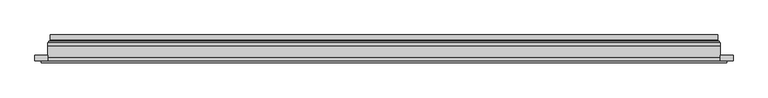
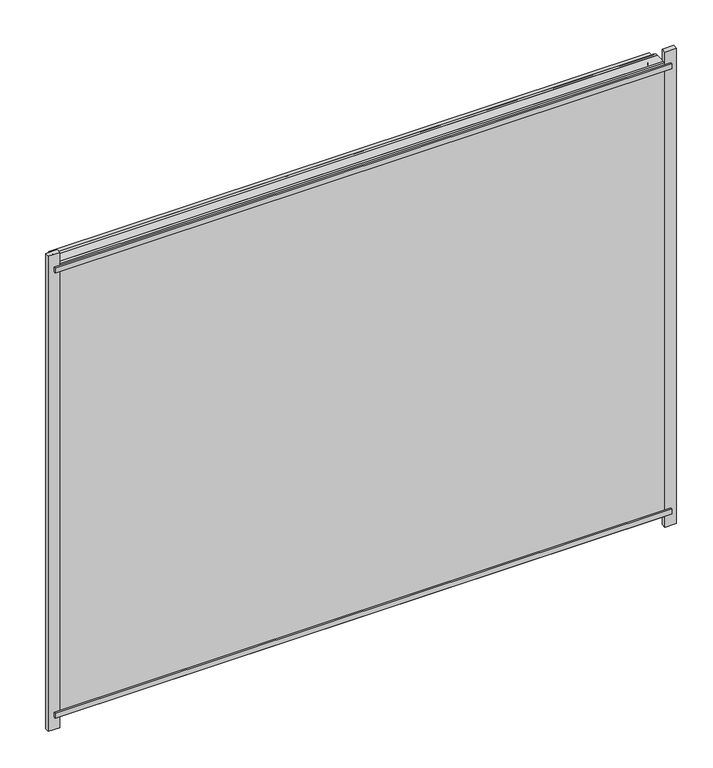
"""IFC4 building model written with IfcOpenShell, lengths in millimetres: plate geometry."""

from ifc_helpers import new_model, si_unit, frame, origin, place, context, project, spatial, polyline, ellipse_curve, outline, extrude, source, transform, mapped, element, save
from ifc_brep_helpers import plane_surface, cylinder_surface, revolved_surface, advanced_brep


def plate_d3c72cb6(model_context):
    return source(origin(), model_context, "Body", "SolidModel", [
        extrude(outline(polyline([(612.5, -27.0), (-612.5, -27.0), (-612.5, -23.0), (612.5, -23.0), (612.5, -27.0)])), frame((0.0, 0.0, 944.5000001), z_axis=(0.0, 0.0, 1.0), x_axis=(1.0, 0.0, 0.0)), (0.0, 0.0, 1.0), 10.0),
        extrude(outline(polyline([(612.5, -27.0), (-612.5, -27.0), (-612.5, -23.0), (612.5, -23.0), (612.5, -27.0)])), frame((0.0, 0.0, 9.5), z_axis=(0.0, 0.0, 1.0), x_axis=(1.0, 0.0, 0.0)), (0.0, 0.0, 1.0), 10.0),
        extrude(outline(polyline([(-624.0, -23.0), (-624.0, -13.51), (-601.0, -13.51), (-601.0, -23.0), (-624.0, -23.0)])), frame((0.0, 0.0, -17.0), z_axis=(0.0, 0.0, 1.0), x_axis=(1.0, 0.0, 0.0)), (0.0, 0.0, 1.0), 998.0000001),
        extrude(outline(polyline([(624.0, -23.0), (601.0, -23.0), (601.0, -13.51), (624.0, -13.51), (624.0, -23.0)])), frame((0.0, 0.0, -17.0), z_axis=(0.0, 0.0, 1.0), x_axis=(1.0, 0.0, 0.0)), (0.0, 0.0, 1.0), 998.0000001),
        extrude(outline(polyline([(6.0, -601.0), (6.0, 601.0), (958.0000001, 601.0), (958.0000001, -601.0), (6.0, -601.0)]), holes=[polyline([(28.0, 579.0), (28.0, -579.0), (936.0000001, -579.0), (936.0000001, 579.0), (28.0, 579.0)])]), frame((0.0, -17.0, 0.0), z_axis=(0.0, 1.0, 0.0), x_axis=(0.0, 0.0, 1.0)), (0.0, 0.0, 1.0), 20.0),
        extrude(outline(polyline([(28.0, -579.0), (28.0, 579.0), (936.0000001, 579.0), (936.0000001, -579.0), (28.0, -579.0)]), holes=[polyline([(33.0, 574.0), (33.0, -574.0), (931.0000001, -574.0), (931.0000001, 574.0), (33.0, 574.0)])]), frame((0.0, -17.0, 0.0), z_axis=(0.0, 1.0, 0.0), x_axis=(0.0, 0.0, 1.0)), (0.0, 0.0, 1.0), 20.0),
        extrude(outline(polyline([(601.0, 9.0), (601.0, 3.0), (-601.0, 3.0), (-601.0, 9.0), (601.0, 9.0)])), frame((0.0, 0.0, 6.0), z_axis=(0.0, 0.0, 1.0), x_axis=(1.0, 0.0, 0.0)), (0.0, 0.0, 1.0), 952.0000001),
        extrude(outline(polyline([(-601.0, -23.0), (-601.0, -17.0), (601.0, -17.0), (601.0, -23.0), (-601.0, -23.0)])), frame((0.0, 0.0, 6.0), z_axis=(0.0, 0.0, 1.0), x_axis=(1.0, 0.0, 0.0)), (0.0, 0.0, 1.0), 952.0000001),
        advanced_brep(
        [(-596.5, 23.0, 10.5), (596.5, 23.0, 10.5), (596.5, 13.9230471, 10.5), (-596.5, 13.9230471, 10.5), (-587.5, 12.9110883, 19.5), (587.5, 12.9110883, 19.5), (587.5, 23.0, 19.5), (-587.5, 23.0, 19.5), (596.5, 23.0, 953.5000001), (596.5, 13.9230471, 953.5000001), (587.5, 12.9110883, 944.5000001), (587.5, 23.0, 944.5000001), (-596.5, 23.0, 953.5000001), (-596.5, 13.9230471, 953.5000001), (-587.5, 12.9110883, 944.5000001), (-587.5, 23.0, 944.5000001), (-597.7540757, 9.0, 9.2459243), (597.7540757, 9.0, 9.2459243), (597.7540757, 9.0, 954.7540758), (-597.7540757, 9.0, 954.7540758), (587.2, 9.0, 19.8), (-587.2, 9.0, 19.8), (-587.2, 9.0, 944.2000001), (587.2, 9.0, 944.2000001), (-586.5625, 11.2166581, 20.4375), (586.5625, 11.2166581, 20.4375), (-598.0737575, 11.9689955, 8.9262425), (598.0737575, 11.9689955, 8.9262425), (586.5625, 11.2166581, 943.5625001), (598.0737575, 11.9689955, 955.0737577), (-586.5625, 11.2166581, 943.5625001), (-598.0737575, 11.9689955, 955.0737577)],
        [
            (0, 1),
            (1, 2),
            (2, 3),
            (3, 0),
            (4, 5),
            (5, 6),
            (6, 7),
            (7, 4),
            (1, 8),
            (8, 9),
            (9, 2),
            (5, 10),
            (10, 11),
            (11, 6),
            (8, 12),
            (12, 13),
            (13, 9),
            (10, 14),
            (14, 15),
            (15, 11),
            (16, 17),
            (17, 18),
            (18, 19),
            (19, 16),
            (20, 21),
            (21, 22),
            (22, 23),
            (23, 20),
            (12, 0),
            (3, 13),
            (15, 7),
            (14, 4),
            (24, 25),
            (25, 5, ellipse_curve(frame((585.5, 12.9110883, 21.5), z_axis=(0.7071067811865475, 0.0, 0.7071067811865475), x_axis=(0.7071067811865476, 0.0, -0.7071067811865474)), 2.8284271, 2.0)),
            (4, 24, ellipse_curve(frame((-585.5, 12.9110883, 21.5), z_axis=(-0.7071067811865475, 0.0, 0.7071067811865475), x_axis=(0.7071067811865476, 0.0, 0.7071067811865474)), 2.8284271, 2.0)),
            (20, 25, ellipse_curve(frame((587.2, 10.2, 19.8), z_axis=(-0.7071067811865475, 0.0, -0.7071067811865475), x_axis=(-0.7071067811865476, 0.0, 0.7071067811865474)), 1.6970563, 1.2)),
            (24, 21, ellipse_curve(frame((-587.2, 10.2, 19.8), z_axis=(0.7071067811865475, 0.0, -0.7071067811865475), x_axis=(-0.7071067811865476, 0.0, -0.7071067811865474)), 1.6970563, 1.2)),
            (26, 27),
            (27, 17, ellipse_curve(frame((597.7540757, 10.5034569, 9.2459243), z_axis=(-0.7071067811865475, 0.0, -0.7071067811865475), x_axis=(-0.7071067811865476, 0.0, 0.7071067811865474)), 2.1213203, 1.5)),
            (16, 26, ellipse_curve(frame((-597.7540757, 10.5034569, 9.2459243), z_axis=(0.7071067811865475, 0.0, -0.7071067811865475), x_axis=(-0.7071067811865476, 0.0, -0.7071067811865474)), 2.1213203, 1.5)),
            (25, 28),
            (28, 10, ellipse_curve(frame((585.5, 12.9110883, 942.5000001), z_axis=(-0.7071067811865475, 0.0, 0.7071067811865475), x_axis=(0.7071067811865474, 0.0, 0.7071067811865476)), 2.8284271, 2.0)),
            (23, 28, ellipse_curve(frame((587.2, 10.2, 944.2000001), z_axis=(0.7071067811865475, 0.0, -0.7071067811865475), x_axis=(-0.7071067811865474, 0.0, -0.7071067811865476)), 1.6970563, 1.2)),
            (27, 29),
            (29, 18, ellipse_curve(frame((597.7540757, 10.5034569, 954.7540758), z_axis=(0.7071067811865475, 0.0, -0.7071067811865475), x_axis=(-0.7071067811865474, 0.0, -0.7071067811865476)), 2.1213203, 1.5)),
            (28, 30),
            (30, 14, ellipse_curve(frame((-585.5, 12.9110883, 942.5000001), z_axis=(-0.7071067811865475, 0.0, -0.7071067811865475), x_axis=(-0.7071067811865476, 0.0, 0.7071067811865474)), 2.8284271, 2.0)),
            (22, 30, ellipse_curve(frame((-587.2, 10.2, 944.2000001), z_axis=(0.7071067811865475, 0.0, 0.7071067811865475), x_axis=(0.7071067811865476, 0.0, -0.7071067811865474)), 1.6970563, 1.2)),
            (29, 31),
            (31, 19, ellipse_curve(frame((-597.7540757, 10.5034569, 954.7540758), z_axis=(0.7071067811865475, 0.0, 0.7071067811865475), x_axis=(0.7071067811865476, 0.0, -0.7071067811865474)), 2.1213203, 1.5)),
            (30, 24),
            (31, 26),
            (2, 27, ellipse_curve(frame((598.5, 13.9230471, 8.5), z_axis=(0.7071067811865475, 0.0, 0.7071067811865475), x_axis=(0.7071067811865476, 0.0, -0.7071067811865474)), 2.8284271, 2.0)),
            (26, 3, ellipse_curve(frame((-598.5, 13.9230471, 8.5), z_axis=(-0.7071067811865475, 0.0, 0.7071067811865475), x_axis=(0.7071067811865476, 0.0, 0.7071067811865474)), 2.8284271, 2.0)),
            (9, 29, ellipse_curve(frame((598.5, 13.9230471, 955.5000001), z_axis=(-0.7071067811865475, 0.0, 0.7071067811865475), x_axis=(0.7071067811865474, 0.0, 0.7071067811865476)), 2.8284271, 2.0)),
            (13, 31, ellipse_curve(frame((-598.5, 13.9230471, 955.5000001), z_axis=(-0.7071067811865475, 0.0, -0.7071067811865475), x_axis=(-0.7071067811865476, 0.0, 0.7071067811865474)), 2.8284271, 2.0)),
        ],
        [
            plane_surface(frame((-596.5, 13.9230471, 10.5), z_axis=(0.0, 0.0, -1.0), x_axis=(1.0, 0.0, 0.0))),
            plane_surface(frame((-587.5, 23.0, 19.5), z_axis=(0.0, 0.0, 1.0), x_axis=(1.0, 0.0, 0.0))),
            plane_surface(frame((596.5, 13.9230471, 10.5), z_axis=(1.0, 0.0, 0.0), x_axis=(0.0, 0.0, 1.0))),
            plane_surface(frame((587.5, 23.0, 19.5), z_axis=(-1.0, 0.0, 0.0), x_axis=(0.0, 0.0, 1.0))),
            plane_surface(frame((596.5, 13.9230471, 953.5000001), z_axis=(0.0, 0.0, 1.0), x_axis=(-1.0, 0.0, 0.0))),
            plane_surface(frame((587.5, 23.0, 944.5000001), z_axis=(0.0, 0.0, -1.0), x_axis=(-1.0, 0.0, 0.0))),
            plane_surface(frame((-587.2, 9.0, 944.2000001), z_axis=(0.0, -1.0, 0.0), x_axis=(0.0, 0.0, -1.0))),
            plane_surface(frame((-596.5, 13.9230471, 953.5000001), z_axis=(-1.0, 0.0, 0.0), x_axis=(0.0, 0.0, -1.0))),
            plane_surface(frame((-596.5, 23.0, 953.5000001), z_axis=(0.0, 1.0, 0.0), x_axis=(0.0, 0.0, -1.0))),
            plane_surface(frame((-587.5, 23.0, 944.5000001), z_axis=(1.0, 0.0, 0.0), x_axis=(0.0, 0.0, -1.0))),
            revolved_surface(polyline([(587.5, 10.9110883, 21.5), (-587.5, 10.9110883, 21.5)]), (-601.0, 12.9110883, 21.5), (1.0, 0.0, 0.0)),
            cylinder_surface(frame((-601.0, 10.2, 19.8), z_axis=(-1.0, 0.0, 0.0), x_axis=(0.0, -1.0, 0.0)), 1.2),
            cylinder_surface(frame((-601.0, 10.5034569, 9.2459243), z_axis=(-1.0, 0.0, 0.0), x_axis=(0.0, -1.0, 0.0)), 1.5),
            revolved_surface(polyline([(585.5, 10.9110883, 944.5000001), (585.5, 10.9110883, 19.5)]), (585.5, 12.9110883, 6.0), (0.0, 0.0, 1.0)),
            cylinder_surface(frame((587.2, 10.2, 6.0), z_axis=(0.0, 0.0, -1.0), x_axis=(0.0, -1.0, 0.0)), 1.2),
            cylinder_surface(frame((597.7540757, 10.5034569, 6.0), z_axis=(0.0, 0.0, -1.0), x_axis=(0.0, -1.0, 0.0)), 1.5),
            revolved_surface(polyline([(-587.5, 10.9110883, 942.5000001), (587.5, 10.9110883, 942.5000001)]), (601.0, 12.9110883, 942.5000001), (-1.0, 0.0, 0.0)),
            cylinder_surface(frame((601.0, 10.2, 944.2000001), z_axis=(1.0, 0.0, 0.0), x_axis=(0.0, -1.0, 0.0)), 1.2),
            cylinder_surface(frame((601.0, 10.5034569, 954.7540758), z_axis=(1.0, 0.0, 0.0), x_axis=(0.0, -1.0, 0.0)), 1.5),
            revolved_surface(polyline([(-585.5, 10.9110883, 19.5), (-585.5, 10.9110883, 944.5000001)]), (-585.5, 12.9110883, 958.0000001), (0.0, 0.0, -1.0)),
            cylinder_surface(frame((-587.2, 10.2, 958.0000001), z_axis=(0.0, 0.0, 1.0), x_axis=(0.0, -1.0, 0.0)), 1.2),
            cylinder_surface(frame((-597.7540757, 10.5034569, 958.0000001), z_axis=(0.0, 0.0, 1.0), x_axis=(0.0, -1.0, 0.0)), 1.5),
            revolved_surface(polyline([(600.4999999825018, 11.9230471, 8.5), (-600.4999999825018, 11.9230471, 8.5)]), (-601.0, 13.9230471, 8.5), (1.0, 0.0, 0.0)),
            revolved_surface(polyline([(598.5, 11.9230471, 957.5000000825017), (598.5, 11.9230471, 6.500000017498199)]), (598.5, 13.9230471, 6.0), (0.0, 0.0, 1.0)),
            revolved_surface(polyline([(-600.4999999825018, 11.9230471, 955.5000001), (600.4999999825018, 11.9230471, 955.5000001)]), (601.0, 13.9230471, 955.5000001), (-1.0, 0.0, 0.0)),
            revolved_surface(polyline([(-598.5, 11.9230471, 6.500000017498223), (-598.5, 11.9230471, 957.5000000825017)]), (-598.5, 13.9230471, 958.0000001), (0.0, 0.0, -1.0)),
        ],
        [
            (0, [[1, 2, 3, 4]]),
            (1, [[5, 6, 7, 8]]),
            (2, [[9, 10, 11, -2]]),
            (3, [[12, 13, 14, -6]]),
            (4, [[15, 16, 17, -10]]),
            (5, [[18, 19, 20, -13]]),
            (6, [[21, 22, 23, 24], [25, 26, 27, 28]]),
            (7, [[29, -4, 30, -16]]),
            (8, [[-1, -29, -15, -9], [-7, -14, -20, 31]]),
            (9, [[32, -8, -31, -19]]),
            (10, [[33, 34, -5, 35]]),
            (11, [[-25, 36, -33, 37]]),
            (12, [[38, 39, -21, 40]]),
            (13, [[41, 42, -12, -34]]),
            (14, [[-28, 43, -41, -36]]),
            (15, [[44, 45, -22, -39]]),
            (16, [[46, 47, -18, -42]]),
            (17, [[-27, 48, -46, -43]]),
            (18, [[49, 50, -23, -45]]),
            (19, [[51, -35, -32, -47]]),
            (20, [[-26, -37, -51, -48]]),
            (21, [[52, -40, -24, -50]]),
            (22, [[-3, 53, -38, 54]]),
            (23, [[-11, 55, -44, -53]]),
            (24, [[-17, 56, -49, -55]]),
            (25, [[-30, -54, -52, -56]]),
        ],
    ),
    ])


if __name__ == "__main__":
    model = new_model("IFC4")
    model_context = context("Model", 3, world=origin())
    ifc_project = project(units=[si_unit("LENGTHUNIT", "METRE", prefix="MILLI")], contexts=[model_context])
    site = spatial("IfcSite", under=ifc_project)
    building = spatial("IfcBuilding", under=site)
    placement = place(None, origin())
    plate_shape = plate_d3c72cb6(model_context)
    element("IfcPlate", 1, at=placement, inside=building, context=model_context, shape_type="MappedRepresentation", body=[
        mapped(plate_shape, transform((0.0, 0.0, 0.0), x_axis=(1.0, 0.0, 0.0), y_axis=(0.0, 1.0, 0.0), z_axis=(0.0, 0.0, 1.0))),
    ])
    save(model, "model.ifc")
